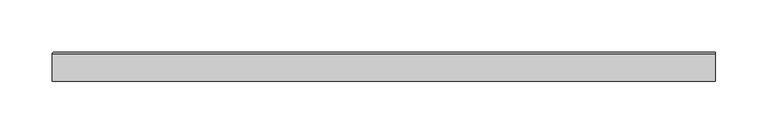
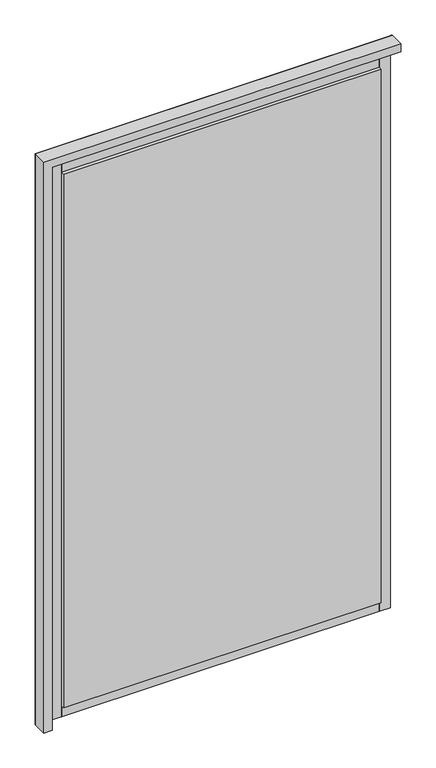
"""IFC4 building model written with IfcOpenShell, lengths in millimetres: plate geometry."""

from ifc_helpers import new_model, si_unit, point, frame, frame_2d, origin, place, context, project, spatial, polyline, circle_curve, ellipse_curve, trimmed, segment, composite_curve, outline, extrude, source, transform, mapped, element, save
from ifc_brep_helpers import plane_surface, cylinder_surface, advanced_brep


def plate_dae58b1f(model_context):
    return source(origin(), model_context, "Body", "SolidModel", [
        advanced_brep(
        [(323.0555556, 12.8070793, 1035.0002427), (323.0555556, 13.8070793, 1036.0002427), (323.0555556, 13.8070793, 1048.4999993), (323.0555556, 12.3070793, 1049.9999993), (323.0555556, -14.0, 1049.9999993), (323.0555556, -14.0, 1035.0), (-298.0555556, 12.8070793, 1035.0002427), (-299.0557982, 13.8070793, 1036.0002427), (-299.0557982, 13.8070793, -25.0), (-311.5555549, 13.8070793, -25.0), (-311.5555549, 13.8070793, 1048.4999993), (-313.0555549, 12.3070793, 1049.9999993), (-313.0555549, -14.0, 1049.9999993), (-313.0555549, -14.0, -25.0), (-298.0555556, -14.0, -25.0), (-298.0555556, -14.0, 1035.0), (-298.0555556, 12.8070793, -25.0), (-313.0555549, 12.3070793, -25.0)],
        [
            (0, 1, circle_curve(frame((323.0555556, 12.8070793, 1036.0002427), z_axis=(1.0, 0.0, 0.0), x_axis=(0.0, -1.0, 0.0)), 1.0)),
            (1, 2),
            (2, 3, circle_curve(frame((323.0555556, 12.3070793, 1048.4999993), z_axis=(1.0, 0.0, 0.0), x_axis=(0.0, -1.0, 0.0)), 1.5)),
            (3, 4),
            (4, 5),
            (5, 0),
            (0, 6),
            (6, 7, ellipse_curve(frame((-299.0557982, 12.8070793, 1036.0002427), z_axis=(0.7071067811865475, 0.0, 0.7071067811865475), x_axis=(0.7071067811865476, 0.0, -0.7071067811865474)), 1.4142136, 1.0)),
            (7, 1),
            (7, 8),
            (8, 9),
            (9, 10),
            (10, 2),
            (10, 11, ellipse_curve(frame((-311.5555549, 12.3070793, 1048.4999993), z_axis=(0.7071067811865475, 0.0, 0.7071067811865475), x_axis=(0.7071067811865476, 0.0, -0.7071067811865474)), 2.1213203, 1.5)),
            (11, 3),
            (11, 12),
            (12, 4),
            (12, 13),
            (13, 14),
            (14, 15),
            (15, 5),
            (15, 6),
            (16, 14),
            (13, 17),
            (17, 9, circle_curve(frame((-311.5555549, 12.3070793, -25.0), z_axis=(0.0, 0.0, -1.0), x_axis=(0.0, -1.0, 0.0)), 1.5)),
            (8, 16, circle_curve(frame((-299.0557982, 12.8070793, -25.0), z_axis=(0.0, 0.0, -1.0), x_axis=(0.0, -1.0, 0.0)), 1.0)),
            (6, 16),
            (17, 11),
        ],
        [
            plane_surface(frame((323.0555556, 0.0, 1060.0), z_axis=(1.0, 0.0, 0.0), x_axis=(0.0, -1.0, 0.0))),
            cylinder_surface(frame((323.0555556, 12.8070793, 1036.0002427), z_axis=(1.0, 0.0, 0.0), x_axis=(0.0, -1.0, 0.0)), 1.0),
            plane_surface(frame((323.0555556, 13.8070793, 1036.0002427), z_axis=(0.0, 1.0, 0.0), x_axis=(-1.0, 0.0, 0.0))),
            cylinder_surface(frame((323.0555556, 12.3070793, 1048.4999993), z_axis=(1.0, 0.0, 0.0), x_axis=(0.0, -1.0, 0.0)), 1.5),
            plane_surface(frame((323.0555556, 12.3070793, 1049.9999993), z_axis=(0.0, 0.0, 1.0), x_axis=(-1.0, 0.0, 0.0))),
            plane_surface(frame((323.0555556, -14.0, 1049.9999993), z_axis=(0.0, -1.0, 0.0), x_axis=(-1.0, 0.0, 0.0))),
            plane_surface(frame((323.0555556, -14.0, 1035.0), z_axis=(0.0, 0.0, -1.0), x_axis=(-1.0, 0.0, 0.0))),
            plane_surface(frame((-323.0555556, 0.0, -25.0), z_axis=(0.0, 0.0, -1.0), x_axis=(0.0, -1.0, 0.0))),
            cylinder_surface(frame((-299.0557982, 12.8070793, 1060.0), z_axis=(0.0, 0.0, 1.0), x_axis=(0.0, -1.0, 0.0)), 1.0),
            cylinder_surface(frame((-311.5555549, 12.3070793, 1060.0), z_axis=(0.0, 0.0, 1.0), x_axis=(0.0, -1.0, 0.0)), 1.5),
            plane_surface(frame((-313.0555549, 12.3070793, 1049.9999993), z_axis=(-1.0, 0.0, 0.0), x_axis=(0.0, 0.0, -1.0))),
            plane_surface(frame((-298.0555556, -14.0, 1035.0), z_axis=(1.0, 0.0, 0.0), x_axis=(0.0, 0.0, -1.0))),
        ],
        [
            (0, [[1, 2, 3, 4, 5, 6]]),
            (1, [[-1, 7, 8, 9]]),
            (2, [[-2, -9, 10, 11, 12, 13]]),
            (3, [[-3, -13, 14, 15]]),
            (4, [[-4, -15, 16, 17]]),
            (5, [[-5, -17, 18, 19, 20, 21]]),
            (6, [[-6, -21, 22, -7]]),
            (7, [[23, -19, 24, 25, -11, 26]]),
            (8, [[-8, 27, -26, -10]]),
            (9, [[-14, -12, -25, 28]]),
            (10, [[-16, -28, -24, -18]]),
            (11, [[-22, -20, -23, -27]]),
        ],
    ),
        extrude(outline(polyline([(288.0555556, 14.0), (288.0555556, 8.0), (-278.0555556, 8.0), (-278.0555556, 14.0), (288.0555556, 14.0)])), frame((0.0, 0.0, 10.0), z_axis=(0.0, 0.0, 1.0), x_axis=(1.0, 0.0, 0.0)), (0.0, 0.0, 1.0), 1005.0),
        extrude(outline(polyline([(288.0555556, -8.0), (288.0555556, -14.0), (-278.0555556, -14.0), (-278.0555556, -8.0), (288.0555556, -8.0)])), frame((0.0, 0.0, 10.0), z_axis=(0.0, 0.0, 1.0), x_axis=(1.0, 0.0, 0.0)), (0.0, 0.0, 1.0), 1005.0),
        extrude(outline(composite_curve([segment(polyline([(13.499631, -10.0), (-8.0, -10.0), (-8.0, 10.0), (13.499631, 10.0)]), True, "CONTINUOUS"), segment(trimmed(circle_curve(frame_2d((45.6328576, 0.0)), 33.6532948), [point((13.499631, 10.0))], [point((13.499631, -10.0))], True, "CARTESIAN"), True, "CONTINUOUS")], self_intersect=False)), frame((-278.0555556, 0.0, 0.0), z_axis=(1.0, 0.0, 0.0), x_axis=(0.0, 1.0, 0.0)), (0.0, 0.0, 1.0), 566.1111111),
        extrude(outline(composite_curve([segment(trimmed(circle_curve(frame_2d((45.6328576, 1025.0)), 33.6532948), [point((13.499631, 1035.0))], [point((13.499631, 1015.0))], True, "CARTESIAN"), True, "CONTINUOUS"), segment(polyline([(13.499631, 1015.0), (-8.0, 1015.0), (-8.0, 1035.0), (13.499631, 1035.0)]), True, "CONTINUOUS")], self_intersect=False)), frame((-278.0555556, 0.0, 0.0), z_axis=(1.0, 0.0, 0.0), x_axis=(0.0, 1.0, 0.0)), (0.0, 0.0, 1.0), 566.1111111),
        extrude(outline(composite_curve([segment(polyline([(308.0555556, -8.0), (288.0555556, -8.0), (288.0555556, 13.5022002)]), True, "CONTINUOUS"), segment(trimmed(circle_curve(frame_2d((297.9820438, 45.5022747)), 33.5043271), [point((288.0555556, 13.5022002))], [point((308.0555556, 13.548178))], True, "CARTESIAN"), True, "CONTINUOUS"), segment(polyline([(308.0555556, 13.548178), (308.0555556, -8.0)]), True, "CONTINUOUS")], self_intersect=False)), frame((0.0, 0.0, -10.0), z_axis=(0.0, 0.0, 1.0), x_axis=(1.0, 0.0, 0.0)), (0.0, 0.0, 1.0), 1045.0),
        extrude(outline(composite_curve([segment(polyline([(-278.0555556, -8.0), (-298.0555556, -8.0), (-298.0555556, 13.499631)]), True, "CONTINUOUS"), segment(trimmed(circle_curve(frame_2d((-288.0555556, 45.6328576)), 33.6532948), [point((-298.0555556, 13.499631))], [point((-278.0555556, 13.499631))], True, "CARTESIAN"), True, "CONTINUOUS"), segment(polyline([(-278.0555556, 13.499631), (-278.0555556, -8.0)]), True, "CONTINUOUS")], self_intersect=False)), frame((0.0, 0.0, -10.0), z_axis=(0.0, 0.0, 1.0), x_axis=(1.0, 0.0, 0.0)), (0.0, 0.0, 1.0), 1045.0),
    ])


if __name__ == "__main__":
    model = new_model("IFC4")
    model_context = context("Model", 3, world=origin())
    ifc_project = project(units=[si_unit("LENGTHUNIT", "METRE", prefix="MILLI")], contexts=[model_context])
    site = spatial("IfcSite", under=ifc_project)
    building = spatial("IfcBuilding", under=site)
    placement = place(None, origin())
    plate_shape = plate_dae58b1f(model_context)
    element("IfcPlate", 1, at=placement, inside=building, context=model_context, shape_type="MappedRepresentation", body=[
        mapped(plate_shape, transform((0.0, 0.0, 0.0), x_axis=(1.0, 0.0, 0.0), y_axis=(0.0, 1.0, 0.0), z_axis=(0.0, 0.0, 1.0))),
    ])
    save(model, "model.ifc")
